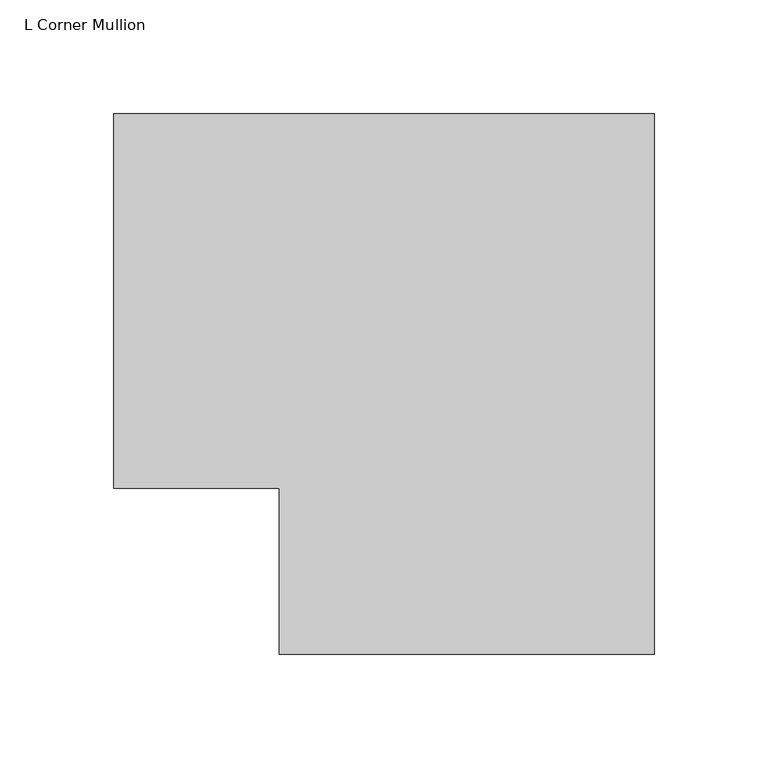
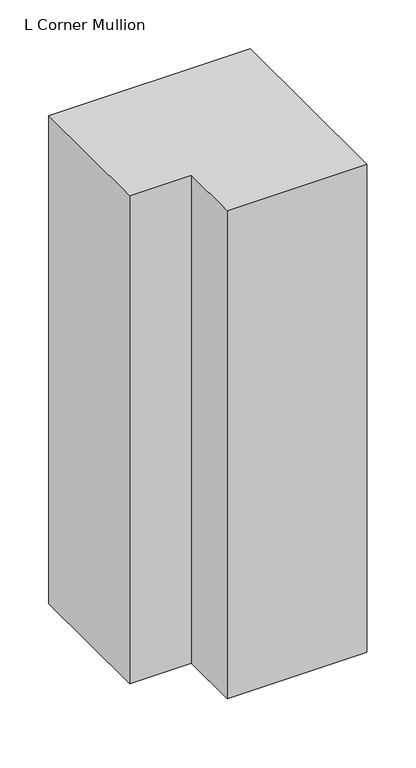
"""IFC4 building model written with IfcOpenShell, lengths in millimetres: member geometry, L Corner Mullion."""

from ifc_helpers import new_model, si_unit, frame, origin, place, context, project, spatial, polyline, outline, extrude, source, transform, mapped, element, save


def l_corner_mullion_cf147dd2(model_context):
    return source(origin(), model_context, "Body", "SweptSolid", [
        extrude(outline(polyline([(-12.7, -85.725), (-12.7, -12.7), (-85.725, -12.7), (-85.725, 152.4), (152.4, 152.4), (152.4, -85.725), (-12.7, -85.725)])), frame((0.0, 0.0, -609.6), z_axis=(0.0, 0.0, 1.0), x_axis=(1.0, 0.0, 0.0)), (0.0, 0.0, 1.0), 609.6),
    ])


if __name__ == "__main__":
    model = new_model("IFC4")
    model_context = context("Model", 3, world=origin())
    ifc_project = project(units=[si_unit("LENGTHUNIT", "METRE", prefix="MILLI")], contexts=[model_context])
    site = spatial("IfcSite", under=ifc_project)
    building = spatial("IfcBuilding", under=site)
    placement = place(None, origin())
    l_corner_mullion_shape = l_corner_mullion_cf147dd2(model_context)
    element("IfcMember", 1, ObjectType="L Corner Mullion", at=placement, inside=building, context=model_context, shape_type="MappedRepresentation", body=[
        mapped(l_corner_mullion_shape, transform((0.0, 0.0, 0.0), x_axis=(1.0, 0.0, 0.0), y_axis=(0.0, 1.0, 0.0), z_axis=(0.0, 0.0, 1.0))),
    ])
    save(model, "model.ifc")
